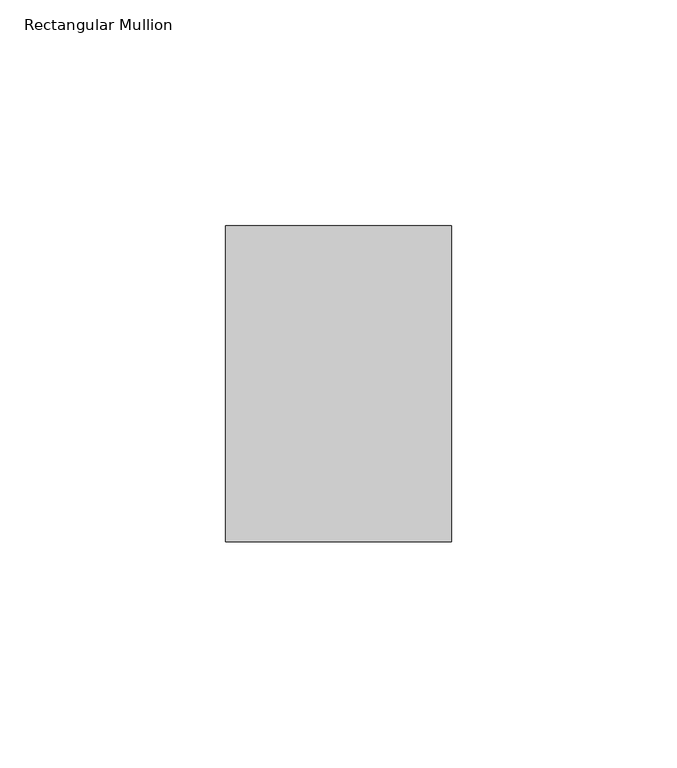
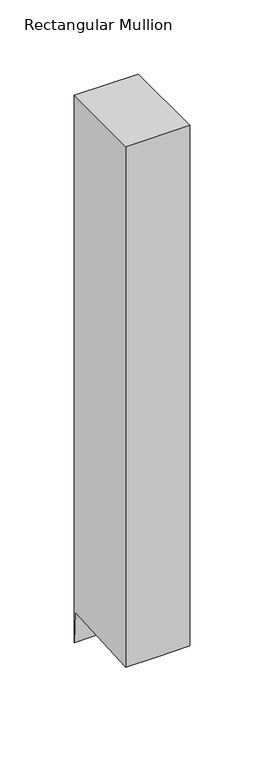
"""IFC4 building model written with IfcOpenShell, lengths in millimetres: member geometry, Rectangular Mullion."""

from ifc_helpers import new_model, si_unit, origin, place, context, project, spatial, faceted_brep, source, transform, mapped, element, save


def rectangular_mullion_905f9b0a(model_context):
    return source(origin(), model_context, "Body", "Brep", [
        faceted_brep([(25.0, 35.0, 0.0), (-25.0, 35.0, 0.0), (-25.0, -35.0, 0.0), (25.0, -35.0, 0.0), (25.0, 35.0, -451.4159064), (0.0, 35.0, -451.4159064), (-25.0, 35.0, -451.4159064), (-25.0, 33.5498891, -425.4787732), (-25.0, -35.0, -429.311307), (0.0, -35.0, -429.311307), (25.0, -35.0, -429.311307), (25.0, 33.5498891, -425.4787732), (0.0, 33.5498891, -425.4787732)], [[[0, 1, 2, 3]], [[1, 0, 4, 5, 6]], [[2, 1, 6, 7, 8]], [[3, 2, 8, 9, 10]], [[0, 3, 10, 11, 4]], [[4, 11, 12, 5]], [[11, 10, 9, 12]], [[9, 8, 7, 12]], [[7, 6, 5, 12]]]),
    ])


if __name__ == "__main__":
    model = new_model("IFC4")
    model_context = context("Model", 3, world=origin())
    ifc_project = project(units=[si_unit("LENGTHUNIT", "METRE", prefix="MILLI")], contexts=[model_context])
    site = spatial("IfcSite", under=ifc_project)
    building = spatial("IfcBuilding", under=site)
    placement = place(None, origin())
    rectangular_mullion_shape = rectangular_mullion_905f9b0a(model_context)
    element("IfcMember", 1, ObjectType="Rectangular Mullion", at=placement, inside=building, context=model_context, shape_type="MappedRepresentation", body=[
        mapped(rectangular_mullion_shape, transform((0.0, 0.0, 0.0), x_axis=(1.0, 0.0, 0.0), y_axis=(0.0, 1.0, 0.0), z_axis=(0.0, 0.0, 1.0))),
    ])
    save(model, "model.ifc")
